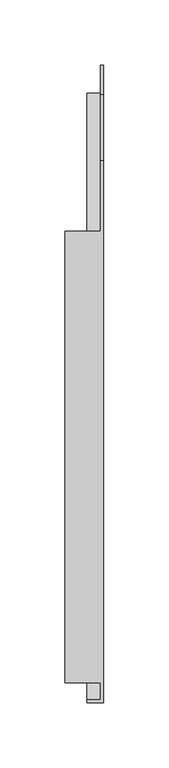
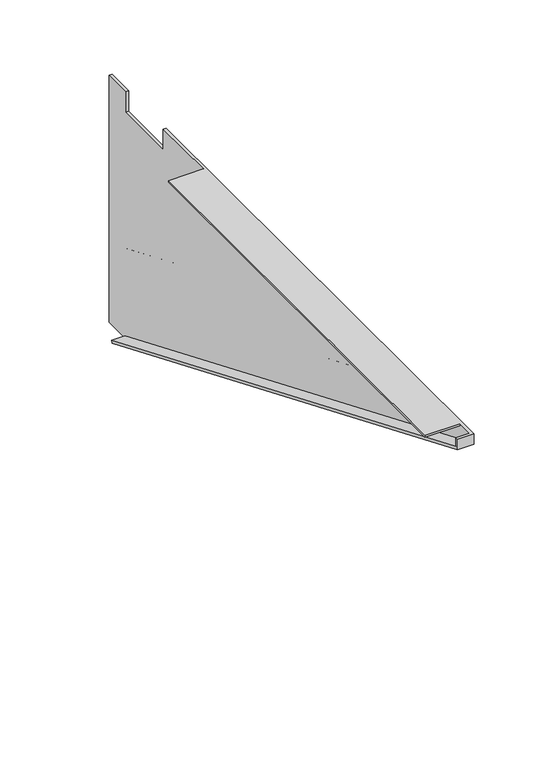
"""IFC4 building model written with IfcOpenShell, lengths in millimetres: furniture geometry."""

import ifcopenshell
import ifcopenshell.guid

model = None  # the IFC model being written
_history = None  # IfcOwnerHistory: only IFC2X3 demands one
_inside = {}  # id of a spatial element -> (the spatial element, [elements in it])
_under = {}  # id of a project, library or spatial element -> (it, [spatial elements below it])
_declared = {}  # id of a project -> (the project, [libraries it declares])
_typed = {}  # id of a type object -> (the type object, [elements of that type])
_made_of = {}  # id of a material, layer set ... -> (it, [elements and type objects made of it])


def new_model(schema):
    """Start an empty IFC model of exactly this schema.

    Asked for "IFC4X3", IfcOpenShell would pick the latest addendum, in which some entities
    have other attributes; the version numbers below select the first issue.
    IFC2X3 requires an IfcOwnerHistory on every rooted entity: one is made here for all.
    """
    global model, _history
    if schema == "IFC4X3":
        model = ifcopenshell.file(schema_version=(4, 3, 0, 0))
    else:
        model = ifcopenshell.file(schema=schema)
    _inside.clear()
    _under.clear()
    _declared.clear()
    _typed.clear()
    _made_of.clear()
    _history = None
    if model.schema == "IFC2X3":
        org = make("IfcOrganization", Name="unknown")
        user = make(
            "IfcPersonAndOrganization",
            ThePerson=make("IfcPerson", FamilyName="unknown"),
            TheOrganization=org,
        )
        app = make(
            "IfcApplication",
            ApplicationDeveloper=org,
            Version="unknown",
            ApplicationFullName="unknown",
            ApplicationIdentifier="unknown",
        )
        _history = make(
            "IfcOwnerHistory",
            OwningUser=user,
            OwningApplication=app,
            ChangeAction="ADDED",
            CreationDate=0,
        )
    return model


def make(cls, **values):
    """One entity of the class cls with the attributes given. An attribute that is None is left unset."""
    return model.create_entity(
        cls, **{name: value for name, value in values.items() if value is not None}
    )


def rooted(cls, **values):
    """An entity with a GlobalId (a new one), such as an element, a storey or a relation."""
    return make(cls, GlobalId=ifcopenshell.guid.new(), OwnerHistory=_history, **values)


def si_unit(unit_type, name, prefix=None):
    """IfcSIUnit, for example si_unit("LENGTHUNIT", "METRE", prefix="MILLI")."""
    return make("IfcSIUnit", UnitType=unit_type, Prefix=prefix, Name=name)


def assignment(units):
    """IfcUnitAssignment: the units of a project."""
    return None if units is None else make("IfcUnitAssignment", Units=units)


def point(xyz):
    """IfcCartesianPoint."""
    return None if xyz is None else make("IfcCartesianPoint", Coordinates=xyz)


def direction(xyz):
    """IfcDirection."""
    return None if xyz is None else make("IfcDirection", DirectionRatios=xyz)


def frame(location, z_axis=None, x_axis=None):
    """IfcAxis2Placement3D, a coordinate frame: its origin and axes. An axis left out is left unset."""
    return make(
        "IfcAxis2Placement3D",
        Location=point(location),
        Axis=direction(z_axis),
        RefDirection=direction(x_axis),
    )


def origin():
    """The frame at (0, 0, 0) with its axes left unset."""
    return frame((0.0, 0.0, 0.0))


def place(relative_to, where):
    """IfcLocalPlacement: puts the frame where relative to a parent placement (None: the world)."""
    return make(
        "IfcLocalPlacement", PlacementRelTo=relative_to, RelativePlacement=where
    )


def context(
    kind, dimensions, precision=None, world=None, true_north=None, identifier=None
):
    """IfcGeometricRepresentationContext, for example the 3D "Model" context."""
    return make(
        "IfcGeometricRepresentationContext",
        ContextIdentifier=identifier,
        ContextType=kind,
        CoordinateSpaceDimension=dimensions,
        Precision=precision,
        WorldCoordinateSystem=world,
        TrueNorth=true_north,
    )


def project(units=None, contexts=None):
    """IfcProject with its units and contexts."""
    return rooted(
        "IfcProject",
        Name="project",
        RepresentationContexts=contexts,
        UnitsInContext=assignment(units),
    )


def spatial(cls, under=None, at=None, **own):
    """A site, building, storey or space (cls), placed at a placement, below another one or the project."""
    s = rooted(cls, ObjectPlacement=at, **own)
    if under is not None:
        _under.setdefault(under.id(), (under, []))[1].append(s)
    return s


def faces_of(points, faces, orient=None, outer=None):
    """IfcFace entities. A face is a list of loops; a loop is a list of indices into points, from 0.

    orient and outer hold one flag for each loop. By default every Orientation is true, the
    first loop of a face is its IfcFaceOuterBound and the others are IfcFaceBound.
    """
    made = []
    for i, loops in enumerate(faces):
        bounds = []
        for j, loop in enumerate(loops):
            is_outer = j == 0 if outer is None else outer[i][j]
            bounds.append(
                make(
                    "IfcFaceOuterBound" if is_outer else "IfcFaceBound",
                    Bound=make("IfcPolyLoop", Polygon=[points[k] for k in loop]),
                    Orientation=True if orient is None else orient[i][j],
                )
            )
        made.append(make("IfcFace", Bounds=bounds))
    return made


def faceted_brep(points, faces, orient=None, outer=None, voids=None):
    """IfcFacetedBrep: a solid bounded by flat faces; with voids (closed shells), ...WithVoids."""
    shared = [point(p) for p in points]
    hull = make("IfcClosedShell", CfsFaces=faces_of(shared, faces, orient, outer))
    if voids is None:
        return make("IfcFacetedBrep", Outer=hull)
    return make(
        "IfcFacetedBrepWithVoids",
        Outer=hull,
        Voids=[
            make(cls, CfsFaces=faces_of(shared, fs, o, b)) for cls, fs, o, b in voids
        ],
    )


def shape(context_of_items, identifier, shape_type, items):
    """IfcShapeRepresentation: the items that make up one representation, for example the "Body"."""
    return make(
        "IfcShapeRepresentation",
        ContextOfItems=context_of_items,
        RepresentationIdentifier=identifier,
        RepresentationType=shape_type,
        Items=items,
    )


def source(mapping_origin, context_of_items, identifier, shape_type, items):
    """IfcRepresentationMap: a shape defined once, which mapped items show again and again."""
    return make(
        "IfcRepresentationMap",
        MappingOrigin=mapping_origin,
        MappedRepresentation=shape(context_of_items, identifier, shape_type, items),
    )


def transform(
    local_origin,
    x_axis=None,
    y_axis=None,
    z_axis=None,
    scale=None,
    scale2=None,
    scale3=None,
    uniform=True,
):
    """IfcCartesianTransformationOperator3D, or its non-uniform kind. x_axis, y_axis, z_axis: its Axis1, 2, 3."""
    if uniform:
        return make(
            "IfcCartesianTransformationOperator3D",
            Axis1=direction(x_axis),
            Axis2=direction(y_axis),
            LocalOrigin=point(local_origin),
            Scale=scale,
            Axis3=direction(z_axis),
        )
    return make(
        "IfcCartesianTransformationOperator3DnonUniform",
        Axis1=direction(x_axis),
        Axis2=direction(y_axis),
        LocalOrigin=point(local_origin),
        Scale=scale,
        Axis3=direction(z_axis),
        Scale2=scale2,
        Scale3=scale3,
    )


def mapped(mapping_source, mapping_target):
    """IfcMappedItem: shows the shape of a source again, moved by a transform."""
    return make(
        "IfcMappedItem", MappingSource=mapping_source, MappingTarget=mapping_target
    )


def made_of(thing, what):
    """Note that an element or type object is made of a material, layer set ...; save() writes the relation."""
    if what is not None:
        _made_of.setdefault(what.id(), (what, []))[1].append(thing)
    return thing


def element(
    cls,
    number,
    at=None,
    inside=None,
    cuts=None,
    type_object=None,
    material=None,
    context=None,
    identifier="Body",
    shape_type=None,
    held_by="IfcProductDefinitionShape",
    body=None,
    shapes=None,
    **own,
):
    """One element of the class cls, such as IfcWall. Its Tag is "e" and its number.

    at: its placement. inside: the storey or other place that contains it. cuts: it is an
    opening in that element (IfcRelVoidsElement). A single representation is given by context,
    identifier, shape_type and body (its items); several are given by shapes. held_by: the class
    of the entity that holds the representations. save() writes the other relations.
    """
    e = rooted(cls, Tag="e%d" % number, ObjectPlacement=at, **own)
    if body is not None:
        shapes = [shape(context, identifier, shape_type, body)]
    if shapes is not None:
        e.Representation = make(held_by, Representations=shapes)
    if inside is not None:
        _inside.setdefault(inside.id(), (inside, []))[1].append(e)
    if cuts is not None:
        rooted(
            "IfcRelVoidsElement", RelatingBuildingElement=cuts, RelatedOpeningElement=e
        )
    if type_object is not None:
        _typed.setdefault(type_object.id(), (type_object, []))[1].append(e)
    return made_of(e, material)


def aggregate(whole, parts):
    """IfcRelAggregates: a whole, such as a stair, and the parts it consists of."""
    return rooted("IfcRelAggregates", RelatingObject=whole, RelatedObjects=parts)


def save(model, path):
    """Write the relations noted so far, then the file.

    IfcRelAggregates (storeys below a building ...), IfcRelContainedInSpatialStructure (elements
    in a storey), IfcRelDefinesByType, IfcRelAssociatesMaterial and IfcRelDeclares: one each for
    every whole, place, type object, material and project.
    """
    for whole, parts in _under.values():
        aggregate(whole, parts)
    for where, things in _inside.values():
        rooted(
            "IfcRelContainedInSpatialStructure",
            RelatedElements=things,
            RelatingStructure=where,
        )
    for kind, things in _typed.values():
        rooted("IfcRelDefinesByType", RelatedObjects=things, RelatingType=kind)
    for what, things in _made_of.values():
        rooted("IfcRelAssociatesMaterial", RelatedObjects=things, RelatingMaterial=what)
    for by, libraries in _declared.values():
        rooted("IfcRelDeclares", RelatingContext=by, RelatedDefinitions=libraries)
    model.write(path)


def furniture_6801c802(model_context):
    return source(origin(), model_context, "Body", "Brep", [
        faceted_brep([(-23.1179687, 211.9808613, 706.4248), (-23.1179687, -133.4589776, 706.4248), (4.0676512, -133.4589776, 706.4248), (4.0676512, -146.2023206, 706.4248), (-6.35, -146.2023206, 706.4248), (-6.35, -148.4807006, 706.4248), (6.35, -148.4807006, 706.4248), (6.35, 265.9558598, 706.4248), (4.0676512, 265.9558598, 706.4248), (4.0676512, 211.9808613, 706.4248), (-23.1179687, -133.4589776, 704.9008015), (-23.1179687, 211.9808613, 704.9008015), (4.0676512, 211.9808613, 704.9008015), (4.0676512, -133.4589776, 704.9008015), (6.3460312, -148.4807006, 697.8336238), (6.3460312, 316.7558601, 503.2248), (6.3460312, 338.9808594, 503.2248), (6.3460312, 338.9808594, 706.4248), (6.3460312, 316.7558601, 706.4248), (6.3460312, 316.7558601, 689.4583937), (6.3460312, 265.9558598, 689.4583937), (4.0676512, 265.9558598, 689.4583937), (4.0676512, 316.7558601, 689.4583937), (4.0676512, 316.7558601, 706.4248), (4.0676512, 338.9808594, 706.4248), (4.0676512, 338.9808594, 503.2248), (4.0676512, 316.7558601, 503.2248), (4.0676512, 317.635086, 505.3266985), (4.0676512, -146.2023206, 699.350255), (-6.35, -146.2023206, 699.350255), (-6.35, 317.635086, 505.3266985), (-6.35, -148.4807006, 697.8336238), (-6.35, 316.7558601, 503.2248)], [[[0, 1, 2, 3, 4, 5, 6, 7, 8, 9]], [[10, 11, 12, 13]], [[11, 0, 9, 12]], [[1, 0, 11, 10]], [[1, 10, 13, 2]], [[7, 6, 14, 15, 16, 17, 18, 19, 20]], [[8, 21, 22, 23, 24, 25, 26, 27, 28, 3, 2, 13, 12, 9]], [[21, 8, 7, 20]], [[22, 21, 20, 19]], [[23, 22, 19, 18]], [[24, 23, 18, 17]], [[25, 24, 17, 16]], [[26, 25, 16, 15]], [[29, 28, 27, 30]], [[4, 3, 28, 29]], [[31, 32, 26, 15, 14]], [[6, 5, 31, 14]], [[26, 32, 30, 27]], [[5, 4, 29, 30, 32, 31]]]),
        faceted_brep([(4.0676512, 265.9558598, 706.4248), (4.0676512, 265.9558598, 689.4583937), (4.0676512, 316.7558601, 689.4583937), (4.0676512, 316.7558601, 706.4248), (4.0676512, 338.9808594, 706.4248), (4.0676512, 338.9808594, 503.2248), (4.0676512, 316.7558601, 503.2248), (4.0676512, 317.635086, 505.3266985), (4.0676512, -146.2023206, 699.350255), (4.0676512, -146.2023206, 706.4248), (4.0676512, -133.4589776, 706.4248), (4.0676512, -133.4589776, 704.9008015), (4.0676512, 211.9808613, 704.9008015), (4.0676512, 211.9808613, 706.4248), (4.0676512, 316.7558601, 551.9373491), (4.0676512, -16.6213816, 689.4583937), (4.0676512, -44.782029, 689.4583937), (4.0676512, 316.7558601, 539.7453491), (4.0676512, 316.7558601, 590.0400317), (4.0676512, 79.254853, 689.4583937), (4.0676512, 51.0942056, 689.4583937), (4.0676512, 316.7558601, 577.8480317), (4.0676512, 316.7558601, 628.1427143), (4.0676512, 175.1310876, 689.4583937), (4.0676512, 146.9704402, 689.4583937), (4.0676512, 316.7558601, 615.9507143), (6.35, -148.4807006, 706.4248), (6.35, -148.4807006, 697.8336238), (6.35, 316.7558601, 503.2248), (6.35, 338.9808594, 503.2248), (6.35, 338.9808594, 706.4248), (6.35, 316.7558601, 706.4248), (6.35, 316.7558601, 689.4583937), (6.35, 265.9558598, 689.4583937), (6.35, 265.9558598, 706.4248), (6.35, -16.6213816, 689.4583937), (6.35, 316.7558601, 551.9373491), (6.35, 316.7558601, 539.7453491), (6.35, -44.782029, 689.4583937), (6.35, 79.254853, 689.4583937), (6.35, 316.7558601, 590.0400317), (6.35, 316.7558601, 577.8480317), (6.35, 51.0942056, 689.4583937), (6.35, 175.1310876, 689.4583937), (6.35, 316.7558601, 628.1427143), (6.35, 316.7558601, 615.9507143), (6.35, 146.9704402, 689.4583937), (-6.35, -148.4807006, 697.8336238), (-6.35, 316.7558601, 503.2248), (-23.1179687, 211.9808613, 706.4248), (-23.1179687, -133.4589776, 706.4248), (-6.35, -146.2023206, 706.4248), (-6.35, -148.4807006, 706.4248), (-23.1179687, -133.4589776, 704.9008015), (-23.1179687, 211.9808613, 704.9008015), (-6.35, -146.2023206, 699.350255), (-6.35, 317.635086, 505.3266985), (4.8614012, -16.6213816, 689.4583937), (4.8614012, 316.7558601, 551.9373491), (4.8614012, 316.7558601, 539.7453491), (4.8614012, -44.782029, 689.4583937), (4.8614012, 79.254853, 689.4583937), (4.8614012, 316.7558601, 590.0400317), (4.8614012, 316.7558601, 577.8480317), (4.8614012, 51.0942056, 689.4583937), (4.8614012, 175.1310876, 689.4583937), (4.8614012, 316.7558601, 628.1427143), (4.8614012, 316.7558601, 615.9507143), (4.8614012, 146.9704402, 689.4583937), (5.5522812, -16.6213816, 689.4583937), (5.5522812, -44.782029, 689.4583937), (5.5522812, 316.7558601, 539.7453491), (5.5522812, 316.7558601, 551.9373491), (5.5522812, 79.254853, 689.4583937), (5.5522812, 51.0942056, 689.4583937), (5.5522812, 316.7558601, 577.8480317), (5.5522812, 316.7558601, 590.0400317), (5.5522812, 175.1310876, 689.4583937), (5.5522812, 146.9704402, 689.4583937), (5.5522812, 316.7558601, 615.9507143), (5.5522812, 316.7558601, 628.1427143)], [[[0, 1, 2, 3, 4, 5, 6, 7, 8, 9, 10, 11, 12, 13], [14, 15, 16, 17], [18, 19, 20, 21], [22, 23, 24, 25]], [[26, 27, 28, 29, 30, 31, 32, 33, 34], [35, 36, 37, 38], [39, 40, 41, 42], [43, 44, 45, 46]], [[1, 0, 34, 33]], [[2, 1, 33, 32]], [[3, 2, 32, 31]], [[4, 3, 31, 30]], [[5, 4, 30, 29]], [[6, 5, 29, 28]], [[28, 27, 47, 48, 6]], [[34, 0, 13, 49, 50, 10, 9, 51, 52, 26]], [[53, 54, 12, 11]], [[54, 49, 13, 12]], [[54, 53, 50, 49]], [[50, 53, 11, 10]], [[27, 26, 52, 47]], [[55, 8, 7, 56]], [[51, 9, 8, 55]], [[57, 58, 59, 60]], [[61, 62, 63, 64]], [[65, 66, 67, 68]], [[58, 57, 15, 14]], [[59, 58, 14, 17]], [[60, 59, 17, 16]], [[57, 60, 16, 15]], [[62, 61, 19, 18]], [[63, 62, 18, 21]], [[64, 63, 21, 20]], [[61, 64, 20, 19]], [[66, 65, 23, 22]], [[67, 66, 22, 25]], [[68, 67, 25, 24]], [[65, 68, 24, 23]], [[69, 70, 71, 72]], [[73, 74, 75, 76]], [[77, 78, 79, 80]], [[69, 72, 36, 35]], [[72, 71, 37, 36]], [[71, 70, 38, 37]], [[70, 69, 35, 38]], [[73, 76, 40, 39]], [[76, 75, 41, 40]], [[75, 74, 42, 41]], [[74, 73, 39, 42]], [[77, 80, 44, 43]], [[80, 79, 45, 44]], [[79, 78, 46, 45]], [[78, 77, 43, 46]], [[6, 48, 56, 7]], [[52, 51, 55, 56, 48, 47]]]),
    ])


if __name__ == "__main__":
    model = new_model("IFC4")
    model_context = context("Model", 3, world=origin())
    ifc_project = project(units=[si_unit("LENGTHUNIT", "METRE", prefix="MILLI")], contexts=[model_context])
    site = spatial("IfcSite", under=ifc_project)
    building = spatial("IfcBuilding", under=site)
    placement = place(None, origin())
    furniture_shape = furniture_6801c802(model_context)
    element("IfcFurniture", 1, at=placement, inside=building, context=model_context, shape_type="MappedRepresentation", body=[
        mapped(furniture_shape, transform((0.0, 0.0, 0.0), x_axis=(1.0, 0.0, 0.0), y_axis=(0.0, 1.0, 0.0), z_axis=(0.0, 0.0, 1.0))),
    ])
    save(model, "model.ifc")
